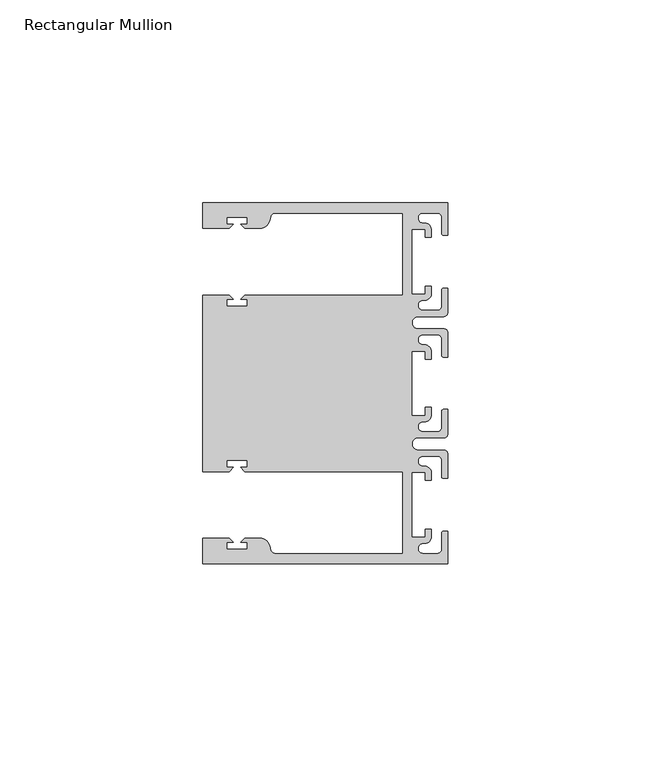
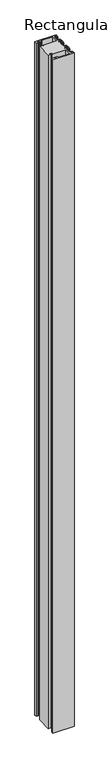
"""IFC4 building model written with IfcOpenShell, lengths in millimetres: member geometry, Rectangular Mullion."""

from ifc_helpers import new_model, si_unit, point, frame, frame_2d, origin, place, context, project, spatial, polyline, circle_curve, trimmed, segment, composite_curve, outline, extrude, source, transform, mapped, element, save


def rectangular_mullion_7ca0e025(model_context):
    return source(origin(), model_context, "Body", "SweptSolid", [
        extrude(outline(composite_curve([segment(polyline([(0.0, 44.45), (0.0, 36.4500318), (-1.0, 36.4500318)]), True, "CONTINUOUS"), segment(trimmed(circle_curve(frame_2d((-1.0, 36.9500318)), 0.5), [point((-1.0, 36.4500318))], [point((-1.5, 36.9500318))], False, "CARTESIAN"), True, "CONTINUOUS"), segment(polyline([(-1.5, 36.9500318), (-1.5, 40.95)]), True, "CONTINUOUS"), segment(trimmed(circle_curve(frame_2d((-2.5, 40.95)), 1.0), [point((-1.5, 40.95))], [point((-2.5, 41.95))], True, "CARTESIAN"), True, "CONTINUOUS"), segment(polyline([(-2.5, 41.95), (-6.0499986, 41.95)]), True, "CONTINUOUS"), segment(trimmed(circle_curve(frame_2d((-6.0499986, 40.6999986)), 1.2500014), [point((-6.0499986, 41.95))], [point((-5.9027291, 39.4587029))], True, "CARTESIAN"), True, "CONTINUOUS"), segment(trimmed(circle_curve(frame_2d((-5.7186029, 37.7499972)), 1.7185975), [point((-5.9027291, 39.4587029))], [point((-4.0000054, 37.7499972))], False, "CARTESIAN"), True, "CONTINUOUS"), segment(polyline([(-4.0000054, 37.7499972), (-4.0000054, 35.9500318), (-5.5, 35.9500318), (-5.5, 37.9499972), (-8.8585786, 37.9499972), (-8.8585786, 21.9499956), (-5.5, 21.9499956), (-5.5, 23.9499611), (-3.9999946, 23.9499611), (-3.9999946, 22.0272972)]), True, "CONTINUOUS"), segment(trimmed(circle_curve(frame_2d((-5.7543344, 22.1865598)), 1.761554), [point((-3.9999946, 22.0272972))], [point((-6.0499986, 20.4499956))], False, "CARTESIAN"), True, "CONTINUOUS"), segment(trimmed(circle_curve(frame_2d((-6.0499986, 19.1999942)), 1.2500014), [point((-6.0499986, 20.4499956))], [point((-6.0499986, 17.9499929))], True, "CARTESIAN"), True, "CONTINUOUS"), segment(polyline([(-6.0499986, 17.9499929), (-2.5, 17.9499929)]), True, "CONTINUOUS"), segment(trimmed(circle_curve(frame_2d((-2.5, 18.9499929)), 1.0), [point((-2.5, 17.9499929))], [point((-1.5, 18.9499929))], True, "CARTESIAN"), True, "CONTINUOUS"), segment(polyline([(-1.5, 18.9499929), (-1.5, 22.9499611)]), True, "CONTINUOUS"), segment(trimmed(circle_curve(frame_2d((-1.0, 22.9499611)), 0.5), [point((-1.5, 22.9499611))], [point((-1.0, 23.4499611))], False, "CARTESIAN"), True, "CONTINUOUS"), segment(polyline([(-1.0, 23.4499611), (0.0, 23.4499611), (0.0, 17.4499929)]), True, "CONTINUOUS"), segment(trimmed(circle_curve(frame_2d((-1.0, 17.4499929)), 1.0), [point((0.0, 17.4499929))], [point((-1.0, 16.4499929))], False, "CARTESIAN"), True, "CONTINUOUS"), segment(polyline([(-1.0, 16.4499929), (-7.3, 16.4499929)]), True, "CONTINUOUS"), segment(trimmed(circle_curve(frame_2d((-7.3, 14.9499929)), 1.5), [point((-7.3, 16.4499929))], [point((-7.3046244, 13.45))], True, "CARTESIAN"), True, "CONTINUOUS"), segment(polyline([(-7.3046244, 13.45), (-1.0, 13.45)]), True, "CONTINUOUS"), segment(trimmed(circle_curve(frame_2d((-1.0, 12.45)), 1.0), [point((-1.0, 13.45))], [point((0.0, 12.45))], False, "CARTESIAN"), True, "CONTINUOUS"), segment(polyline([(0.0, 12.45), (0.0, 6.4500354), (-0.9999964, 6.4500354)]), True, "CONTINUOUS"), segment(trimmed(circle_curve(frame_2d((-0.9999964, 6.9500354)), 0.5), [point((-0.9999964, 6.4500354))], [point((-1.4999964, 6.9500354))], False, "CARTESIAN"), True, "CONTINUOUS"), segment(polyline([(-1.4999964, 6.9500354), (-1.4999964, 10.95)]), True, "CONTINUOUS"), segment(trimmed(circle_curve(frame_2d((-2.4999964, 10.95)), 1.0), [point((-1.4999964, 10.95))], [point((-2.4999964, 11.95))], True, "CARTESIAN"), True, "CONTINUOUS"), segment(polyline([(-2.4999964, 11.95), (-6.0499986, 11.95)]), True, "CONTINUOUS"), segment(trimmed(circle_curve(frame_2d((-6.0499986, 10.6999986)), 1.2500014), [point((-6.0499986, 11.95))], [point((-6.0499986, 9.4499972))], True, "CARTESIAN"), True, "CONTINUOUS"), segment(trimmed(circle_curve(frame_2d((-5.7298824, 7.7499972)), 1.729877), [point((-6.0499986, 9.4499972))], [point((-4.0000054, 7.7499972))], False, "CARTESIAN"), True, "CONTINUOUS"), segment(polyline([(-4.0000054, 7.7499972), (-4.0000054, 5.9500318), (-5.5, 5.9500318), (-5.5, 7.9499972), (-8.8, 7.9499972), (-8.8, -7.9499972), (-5.5, -7.9499972), (-5.5, -5.9500318), (-4.0000054, -5.9500318), (-4.0000054, -7.7499972)]), True, "CONTINUOUS"), segment(trimmed(circle_curve(frame_2d((-5.7298824, -7.7499972)), 1.729877), [point((-4.0000054, -7.7499972))], [point((-6.0499986, -9.4499972))], False, "CARTESIAN"), True, "CONTINUOUS"), segment(trimmed(circle_curve(frame_2d((-6.0499986, -10.6999986)), 1.2500014), [point((-6.0499986, -9.4499972))], [point((-6.0499986, -11.95))], True, "CARTESIAN"), True, "CONTINUOUS"), segment(polyline([(-6.0499986, -11.95), (-2.4999964, -11.95)]), True, "CONTINUOUS"), segment(trimmed(circle_curve(frame_2d((-2.4999964, -10.95)), 1.0), [point((-2.4999964, -11.95))], [point((-1.4999964, -10.95))], True, "CARTESIAN"), True, "CONTINUOUS"), segment(polyline([(-1.4999964, -10.95), (-1.4999964, -6.9500354)]), True, "CONTINUOUS"), segment(trimmed(circle_curve(frame_2d((-0.9999964, -6.9500354)), 0.5), [point((-1.4999964, -6.9500354))], [point((-0.9999964, -6.4500354))], False, "CARTESIAN"), True, "CONTINUOUS"), segment(polyline([(-0.9999964, -6.4500354), (0.0, -6.4500354), (0.0, -12.45)]), True, "CONTINUOUS"), segment(trimmed(circle_curve(frame_2d((-1.0, -12.45)), 1.0), [point((0.0, -12.45))], [point((-1.0, -13.45))], False, "CARTESIAN"), True, "CONTINUOUS"), segment(polyline([(-1.0, -13.45), (-7.3046244, -13.45)]), True, "CONTINUOUS"), segment(trimmed(circle_curve(frame_2d((-7.3, -14.9499929)), 1.5), [point((-7.3046244, -13.45))], [point((-7.3, -16.4499929))], True, "CARTESIAN"), True, "CONTINUOUS"), segment(polyline([(-7.3, -16.4499929), (-1.0, -16.4499929)]), True, "CONTINUOUS"), segment(trimmed(circle_curve(frame_2d((-1.0, -17.4499929)), 1.0), [point((-1.0, -16.4499929))], [point((0.0, -17.4499929))], False, "CARTESIAN"), True, "CONTINUOUS"), segment(polyline([(0.0, -17.4499929), (0.0, -23.4499611), (-1.0, -23.4499611)]), True, "CONTINUOUS"), segment(trimmed(circle_curve(frame_2d((-1.0, -22.9499611)), 0.5), [point((-1.0, -23.4499611))], [point((-1.5, -22.9499611))], False, "CARTESIAN"), True, "CONTINUOUS"), segment(polyline([(-1.5, -22.9499611), (-1.5, -18.9499929)]), True, "CONTINUOUS"), segment(trimmed(circle_curve(frame_2d((-2.5, -18.9499929)), 1.0), [point((-1.5, -18.9499929))], [point((-2.5, -17.9499929))], True, "CARTESIAN"), True, "CONTINUOUS"), segment(polyline([(-2.5, -17.9499929), (-6.0499986, -17.9499929)]), True, "CONTINUOUS"), segment(trimmed(circle_curve(frame_2d((-6.0499986, -19.1999942)), 1.2500014), [point((-6.0499986, -17.9499929))], [point((-6.0499986, -20.4499956))], True, "CARTESIAN"), True, "CONTINUOUS"), segment(trimmed(circle_curve(frame_2d((-5.7543344, -22.1865598)), 1.761554), [point((-6.0499986, -20.4499956))], [point((-3.9999946, -22.0272972))], False, "CARTESIAN"), True, "CONTINUOUS"), segment(polyline([(-3.9999946, -22.0272972), (-3.9999946, -23.9499611), (-5.5, -23.9499611), (-5.5, -21.9499956), (-8.8585786, -21.9499956), (-8.8585786, -37.9499972), (-5.5, -37.9499972), (-5.5, -35.9500318), (-4.0000054, -35.9500318), (-4.0000054, -37.7499972)]), True, "CONTINUOUS"), segment(trimmed(circle_curve(frame_2d((-5.7186029, -37.7499972)), 1.7185975), [point((-4.0000054, -37.7499972))], [point((-5.9027291, -39.4587029))], False, "CARTESIAN"), True, "CONTINUOUS"), segment(trimmed(circle_curve(frame_2d((-6.0499986, -40.6999986)), 1.2500014), [point((-5.9027291, -39.4587029))], [point((-6.0499986, -41.95))], True, "CARTESIAN"), True, "CONTINUOUS"), segment(polyline([(-6.0499986, -41.95), (-2.5, -41.95)]), True, "CONTINUOUS"), segment(trimmed(circle_curve(frame_2d((-2.5, -40.95)), 1.0), [point((-2.5, -41.95))], [point((-1.5, -40.95))], True, "CARTESIAN"), True, "CONTINUOUS"), segment(polyline([(-1.5, -40.95), (-1.5, -36.9500318)]), True, "CONTINUOUS"), segment(trimmed(circle_curve(frame_2d((-1.0, -36.9500318)), 0.5), [point((-1.5, -36.9500318))], [point((-1.0, -36.4500318))], False, "CARTESIAN"), True, "CONTINUOUS"), segment(polyline([(-1.0, -36.4500318), (0.0, -36.4500318), (0.0, -44.45), (-60.325, -44.45), (-60.325, -38.1499897), (-53.8507531, -38.1499897), (-52.8507405, -39.1500023), (-54.4249778, -39.1500023), (-54.4249778, -40.9498819), (-49.4249831, -40.9498819), (-49.4249831, -39.1500023), (-50.999256, -39.1500023), (-49.9992503, -38.1499966), (-46.3137853, -38.1499966)]), True, "CONTINUOUS"), segment(trimmed(circle_curve(frame_2d((-46.3137853, -40.6499966)), 2.5), [point((-46.3137853, -38.1499966))], [point((-43.8989707, -40.002949))], False, "CARTESIAN"), True, "CONTINUOUS"), segment(polyline([(-43.8989707, -40.002949), (-43.5758588, -41.2088192)]), True, "CONTINUOUS"), segment(trimmed(circle_curve(frame_2d((-42.6099329, -40.9500001)), 1.0), [point((-43.5758588, -41.2088192))], [point((-42.6099329, -41.9500001))], True, "CARTESIAN"), True, "CONTINUOUS"), segment(polyline([(-42.6099329, -41.9500001), (-11.1125, -41.95), (-11.1125, -21.7499959), (-49.9992434, -21.7499959), (-50.999256, -20.7499834), (-49.4250186, -20.7499834), (-49.4250186, -18.949936), (-54.4250134, -18.949936), (-54.4250134, -20.7499834), (-52.8507405, -20.7499834), (-53.8507562, -21.749999), (-60.325, -21.749999), (-60.325, 21.749999), (-53.8507562, 21.749999), (-52.8507405, 20.7499834), (-54.4250134, 20.7499834), (-54.4250134, 18.949936), (-49.4250186, 18.949936), (-49.4250186, 20.7499834), (-50.999256, 20.7499834), (-49.9992434, 21.7499959), (-11.1124977, 21.7499959), (-11.1124977, 41.95), (-42.6099329, 41.95)]), True, "CONTINUOUS"), segment(trimmed(circle_curve(frame_2d((-42.6099329, 40.9500001)), 1.0), [point((-42.6099329, 41.95))], [point((-43.5758588, 41.2088192))], True, "CARTESIAN"), True, "CONTINUOUS"), segment(polyline([(-43.5758588, 41.2088192), (-43.8989707, 40.002949)]), True, "CONTINUOUS"), segment(trimmed(circle_curve(frame_2d((-46.3137853, 40.6499966)), 2.5), [point((-43.8989707, 40.002949))], [point((-46.3137853, 38.1499966))], False, "CARTESIAN"), True, "CONTINUOUS"), segment(polyline([(-46.3137853, 38.1499966), (-49.9992503, 38.1499966), (-50.999256, 39.1500023), (-49.4249831, 39.1500023), (-49.4249831, 40.9498819), (-54.4249778, 40.9498819), (-54.4249778, 39.1500023), (-52.8507405, 39.1500023), (-53.8507531, 38.1499897), (-60.3249977, 38.1499897), (-60.3249977, 44.45), (0.0, 44.45)]), True, "CONTINUOUS")], self_intersect=False)), frame((0.0, 0.0, -2032.0), z_axis=(0.0, 0.0, 1.0), x_axis=(1.0, 0.0, 0.0)), (0.0, 0.0, 1.0), 2032.0),
    ])


if __name__ == "__main__":
    model = new_model("IFC4")
    model_context = context("Model", 3, world=origin())
    ifc_project = project(units=[si_unit("LENGTHUNIT", "METRE", prefix="MILLI")], contexts=[model_context])
    site = spatial("IfcSite", under=ifc_project)
    building = spatial("IfcBuilding", under=site)
    placement = place(None, origin())
    rectangular_mullion_shape = rectangular_mullion_7ca0e025(model_context)
    element("IfcMember", 1, ObjectType="Rectangular Mullion", at=placement, inside=building, context=model_context, shape_type="MappedRepresentation", body=[
        mapped(rectangular_mullion_shape, transform((0.0, 0.0, 0.0), x_axis=(1.0, 0.0, 0.0), y_axis=(0.0, 1.0, 0.0), z_axis=(0.0, 0.0, 1.0))),
    ])
    save(model, "model.ifc")
